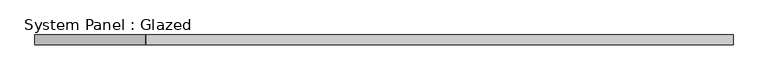
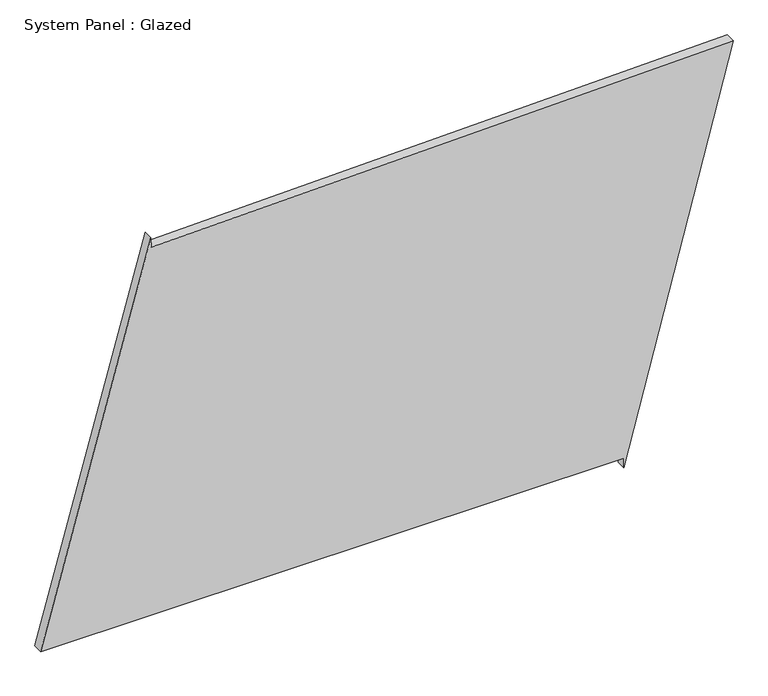
"""IFC4 building model written with IfcOpenShell, lengths in millimetres: plate geometry, System Panel : Glazed."""

from ifc_helpers import new_model, si_unit, frame, origin, place, context, project, spatial, polyline, outline, extrude, source, transform, mapped, element, save


def system_panel_glazed_6b390ab9(model_context):
    return source(origin(), model_context, "Body", "SweptSolid", [
        extrude(outline(polyline([(25.0, 603.2642464), (0.0, 603.2642464), (1052.1331494, 881.4599897), (1014.7309807, -600.3599806), (1039.7230209, -600.9907971), (25.0, -881.4599897), (25.0, 603.2642464)])), frame((0.0, -49.5, 0.0), z_axis=(0.0, 1.0, 0.0), x_axis=(0.0, 0.0, 1.0)), (0.0, 0.0, 1.0), 25.0),
    ])


if __name__ == "__main__":
    model = new_model("IFC4")
    model_context = context("Model", 3, world=origin())
    ifc_project = project(units=[si_unit("LENGTHUNIT", "METRE", prefix="MILLI")], contexts=[model_context])
    site = spatial("IfcSite", under=ifc_project)
    building = spatial("IfcBuilding", under=site)
    placement = place(None, origin())
    system_panel_glazed_shape = system_panel_glazed_6b390ab9(model_context)
    element("IfcPlate", 1, ObjectType="System Panel : Glazed", at=placement, inside=building, context=model_context, shape_type="MappedRepresentation", body=[
        mapped(system_panel_glazed_shape, transform((0.0, 0.0, 0.0), x_axis=(1.0, 0.0, 0.0), y_axis=(0.0, 1.0, 0.0), z_axis=(0.0, 0.0, 1.0))),
    ])
    save(model, "model.ifc")
